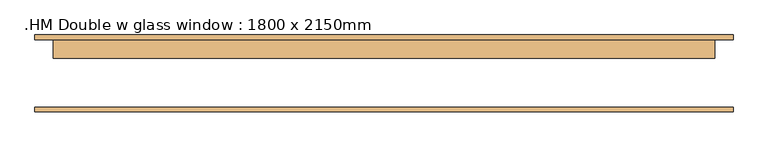
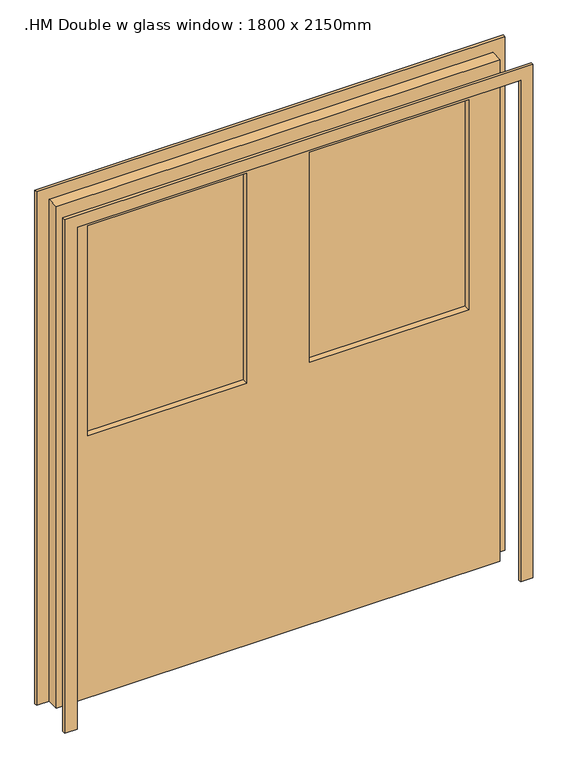
"""IFC4 building model written with IfcOpenShell, lengths in millimetres: door geometry, .HM Double w glass window : 1800 x 2150mm."""

from ifc_helpers import new_model, si_unit, frame, origin, place, context, project, spatial, polyline, outline, extrude, source, transform, mapped, element, save


def hm_double_w_glass_window_1800_x_2150mm_af301060(model_context):
    return source(origin(), model_context, "Body", "SweptSolid", [
        extrude(outline(polyline([(0.0, 950.0), (2200.0, 950.0), (2200.0, -950.0), (0.0, -950.0), (0.0, -900.0), (2150.0, -900.0), (2150.0, 900.0), (0.0, 900.0), (0.0, 950.0)])), frame((0.0, -102.11875, 0.0), z_axis=(0.0, 1.0, 0.0), x_axis=(0.0, 0.0, 1.0)), (0.0, 0.0, 1.0), 12.5),
        extrude(outline(polyline([(2150.0, 900.0), (0.0, 900.0), (0.0, 950.0), (2200.0, 950.0), (2200.0, -950.0), (0.0, -950.0), (0.0, -900.0), (2150.0, -900.0), (2150.0, 900.0)])), frame((0.0, 94.38125, 0.0), z_axis=(0.0, 1.0, 0.0), x_axis=(0.0, 0.0, 1.0)), (0.0, 0.0, 1.0), 12.5),
        extrude(outline(polyline([(798.4, 68.98125), (101.6, 68.98125), (101.6, 76.125), (798.4, 76.125), (798.4, 68.98125)])), frame((0.0, 0.0, 1123.0), z_axis=(0.0, 0.0, 1.0), x_axis=(1.0, 0.0, 0.0)), (0.0, 0.0, 1.0), 900.0),
        extrude(outline(polyline([(-101.6, 68.98125), (-798.4, 68.98125), (-798.4, 76.125), (-101.6, 76.125), (-101.6, 68.98125)])), frame((0.0, 0.0, 1123.0), z_axis=(0.0, 0.0, 1.0), x_axis=(1.0, 0.0, 0.0)), (0.0, 0.0, 1.0), 900.0),
        extrude(outline(polyline([(2150.0, 900.0), (2150.0, -900.0), (0.0, -900.0), (0.0, 900.0), (2150.0, 900.0)]), holes=[polyline([(2023.0, -127.0), (1123.0, -127.0), (1123.0, -773.0), (2023.0, -773.0), (2023.0, -127.0)]), polyline([(2023.0, 773.0), (1123.0, 773.0), (1123.0, 127.0), (2023.0, 127.0), (2023.0, 773.0)])]), frame((0.0, 43.38125, 0.0), z_axis=(0.0, 1.0, 0.0), x_axis=(0.0, 0.0, 1.0)), (0.0, 0.0, 1.0), 51.0),
    ])


if __name__ == "__main__":
    model = new_model("IFC4")
    model_context = context("Model", 3, world=origin())
    ifc_project = project(units=[si_unit("LENGTHUNIT", "METRE", prefix="MILLI")], contexts=[model_context])
    site = spatial("IfcSite", under=ifc_project)
    building = spatial("IfcBuilding", under=site)
    placement = place(None, origin())
    hm_double_w_glass_window_1800_x_2150mm_shape = hm_double_w_glass_window_1800_x_2150mm_af301060(model_context)
    element("IfcDoor", 1, ObjectType=".HM Double w glass window : 1800 x 2150mm", at=placement, inside=building, context=model_context, shape_type="MappedRepresentation", body=[
        mapped(hm_double_w_glass_window_1800_x_2150mm_shape, transform((0.0, 0.0, 0.0), x_axis=(1.0, 0.0, 0.0), y_axis=(0.0, 1.0, 0.0), z_axis=(0.0, 0.0, 1.0))),
    ])
    save(model, "model.ifc")
